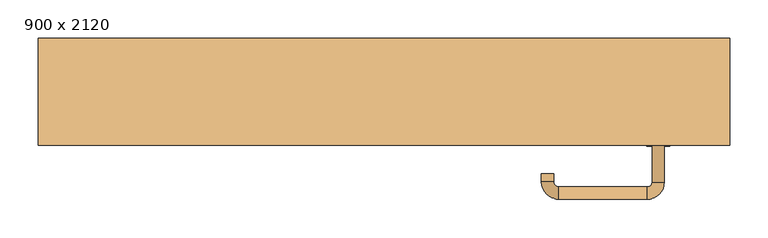
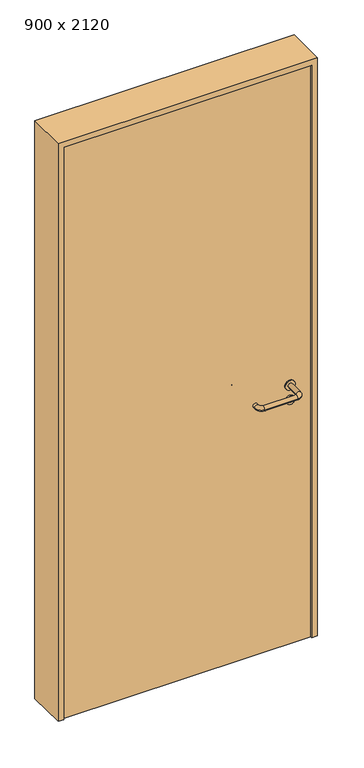
"""IFC4 building model written with IfcOpenShell, lengths in millimetres: door geometry, 900 x 2120."""

from ifc_helpers import new_model, si_unit, point, frame, frame_2d, origin, origin_with_axes, place, context, project, spatial, polyline, circle_curve, ellipse_curve, trimmed, segment, composite_curve, outline, extrude, source, transform, mapped, element, save
from ifc_brep_helpers import plane_surface, cylinder_surface, revolved_surface, advanced_brep


def door_900_x_2120_e4a72f47(model_context):
    return source(origin(), model_context, "Body", "SolidModel", [
        extrude(outline(composite_curve([segment(trimmed(circle_curve(frame_2d((897.3605726, 357.0)), 15.0), [point((897.3605726, 372.0))], [point((897.3605726, 342.0))], False, "CARTESIAN"), True, "CONTINUOUS"), segment(trimmed(circle_curve(frame_2d((897.3605726, 357.0)), 15.0), [point((897.3605726, 342.0))], [point((897.3605726, 372.0))], False, "CARTESIAN"), True, "CONTINUOUS")], self_intersect=False), holes=[composite_curve([segment(trimmed(circle_curve(frame_2d((892.5833211, 356.9398032)), 2.0), [point((892.5833211, 358.9398032))], [point((892.5833211, 354.9398032))], True, "CARTESIAN"), True, "CONTINUOUS"), segment(polyline([(892.5833211, 354.9398032), (902.5833211, 354.9398032)]), True, "CONTINUOUS"), segment(trimmed(circle_curve(frame_2d((902.5833211, 356.9398032)), 2.0), [point((902.5833211, 354.9398032))], [point((902.5833211, 358.9398032))], True, "CARTESIAN"), True, "CONTINUOUS"), segment(polyline([(902.5833211, 358.9398032), (892.5833211, 358.9398032)]), True, "CONTINUOUS")], self_intersect=False)]), frame((0.0, -35.0, 0.0), z_axis=(0.0, 1.0, 0.0), x_axis=(0.0, 0.0, 1.0)), (0.0, 0.0, 1.0), 6.35),
        extrude(outline(composite_curve([segment(trimmed(circle_curve(frame_2d((950.0, 357.0)), 17.526), [point((950.0, 374.526))], [point((950.0, 339.474))], False, "CARTESIAN"), True, "CONTINUOUS"), segment(trimmed(circle_curve(frame_2d((950.0, 357.0)), 17.526), [point((950.0, 339.474))], [point((950.0, 374.526))], False, "CARTESIAN"), True, "CONTINUOUS")], self_intersect=False)), frame((0.0, -35.0, 0.0), z_axis=(0.0, 1.0, 0.0), x_axis=(0.0, 0.0, 1.0)), (0.0, 0.0, 1.0), 3.175),
        advanced_brep(
        [(365.0, -35.0, 950.0), (349.0, -35.0, 950.0), (365.0, 18.0, 950.0), (349.0, 18.0, 950.0), (342.8578644, 24.1421356, 950.0), (342.8578644, 40.1421356, 950.0), (227.8578644, 40.1421356, 950.0), (227.8578644, 24.1421356, 950.0), (221.008622, 17.2928932, 950.0), (205.008622, 17.2928932, 950.0), (205.008622, 7.2928932, 950.0), (221.008622, 7.2928932, 950.0)],
        [
            (0, 1, circle_curve(frame((357.0, -35.0, 950.0), z_axis=(0.0, -1.0, 0.0), x_axis=(-1.0, 0.0, 0.0)), 8.0)),
            (1, 0, circle_curve(frame((357.0, -35.0, 950.0), z_axis=(0.0, -1.0, 0.0), x_axis=(-1.0, 0.0, 0.0)), 8.0)),
            (0, 2),
            (2, 3, circle_curve(frame((357.0, 18.0, 950.0), z_axis=(0.0, -1.0, 0.0), x_axis=(-1.0, 0.0, 0.0)), 8.0)),
            (3, 1),
            (3, 2, circle_curve(frame((357.0, 18.0, 950.0), z_axis=(0.0, -1.0, 0.0), x_axis=(-1.0, 0.0, 0.0)), 8.0)),
            (4, 3, circle_curve(frame((342.8578644, 18.0, 950.0), z_axis=(0.0, 0.0, -1.0), x_axis=(1.0, 0.0, 0.0)), 6.1421356)),
            (2, 5, circle_curve(frame((342.8578644, 18.0, 950.0), z_axis=(0.0, 0.0, 1.0), x_axis=(1.0, 0.0, 0.0)), 22.1421356)),
            (5, 4, circle_curve(frame((342.8578644, 32.1421356, 950.0), z_axis=(1.0, 0.0, 0.0), x_axis=(0.0, -1.0, 0.0)), 8.0)),
            (4, 5, circle_curve(frame((342.8578644, 32.1421356, 950.0), z_axis=(1.0, 0.0, 0.0), x_axis=(0.0, -1.0, 0.0)), 8.0)),
            (5, 6),
            (6, 7, circle_curve(frame((227.8578644, 32.1421356, 950.0), z_axis=(1.0, 0.0, 0.0), x_axis=(0.0, -1.0, 0.0)), 8.0)),
            (7, 4),
            (7, 6, circle_curve(frame((227.8578644, 32.1421356, 950.0), z_axis=(1.0, 0.0, 0.0), x_axis=(0.0, -1.0, 0.0)), 8.0)),
            (8, 7, circle_curve(frame((227.8578644, 17.2928932, 950.0), z_axis=(0.0, 0.0, -1.0), x_axis=(0.0, 1.0, 0.0)), 6.8492424)),
            (6, 9, circle_curve(frame((227.8578644, 17.2928932, 950.0), z_axis=(0.0, 0.0, 1.0), x_axis=(0.0, 1.0, 0.0)), 22.8492424)),
            (9, 8, circle_curve(frame((213.008622, 17.2928932, 950.0), z_axis=(0.0, 1.0, 0.0), x_axis=(1.0, 0.0, 0.0)), 8.0)),
            (8, 9, circle_curve(frame((213.008622, 17.2928932, 950.0), z_axis=(0.0, 1.0, 0.0), x_axis=(1.0, 0.0, 0.0)), 8.0)),
            (10, 11, circle_curve(frame((213.008622, 7.2928932, 950.0), z_axis=(0.0, -1.0, 0.0), x_axis=(1.0, 0.0, 0.0)), 8.0)),
            (11, 10, circle_curve(frame((213.008622, 7.2928932, 950.0), z_axis=(0.0, -1.0, 0.0), x_axis=(1.0, 0.0, 0.0)), 8.0)),
            (9, 10),
            (11, 8),
        ],
        [
            plane_surface(frame((357.0, -35.0, 0.0), z_axis=(0.0, -1.0, 0.0), x_axis=(0.0, 0.0, 1.0))),
            cylinder_surface(frame((357.0, -35.0, 950.0), z_axis=(0.0, -1.0, 0.0), x_axis=(-1.0, 0.0, 0.0)), 8.0),
            revolved_surface(trimmed(ellipse_curve(frame((357.0, 18.0, 950.0), z_axis=(0.0, -1.0, 0.0), x_axis=(-1.0, 0.0, 0.0)), 8.0, 8.0), [point((365.0, 18.0, 950.0))], [point((349.0, 18.0, 950.0))], True, "CARTESIAN"), (342.8578644, 18.0, 0.0), (0.0, 0.0, 1.0)),
            revolved_surface(trimmed(ellipse_curve(frame((357.0, 18.0, 950.0), z_axis=(0.0, -1.0, 0.0), x_axis=(-1.0, 0.0, 0.0)), 8.0, 8.0), [point((349.0, 18.0, 950.0))], [point((365.0, 18.0, 950.0))], True, "CARTESIAN"), (342.8578644, 18.0, 0.0), (0.0, 0.0, 1.0)),
            cylinder_surface(frame((342.8578644, 32.1421356, 950.0), z_axis=(1.0, 0.0, 0.0), x_axis=(0.0, -1.0, 0.0)), 8.0),
            revolved_surface(trimmed(ellipse_curve(frame((227.8578644, 32.1421356, 950.0), z_axis=(1.0, 0.0, 0.0), x_axis=(0.0, -1.0, 0.0)), 8.0, 8.0), [point((227.8578644, 40.1421356, 950.0))], [point((227.8578644, 24.1421356, 950.0))], True, "CARTESIAN"), (227.8578644, 17.2928932, 0.0), (0.0, 0.0, 1.0)),
            revolved_surface(trimmed(ellipse_curve(frame((227.8578644, 32.1421356, 950.0), z_axis=(1.0, 0.0, 0.0), x_axis=(0.0, -1.0, 0.0)), 8.0, 8.0), [point((227.8578644, 24.1421356, 950.0))], [point((227.8578644, 40.1421356, 950.0))], True, "CARTESIAN"), (227.8578644, 17.2928932, 0.0), (0.0, 0.0, 1.0)),
            plane_surface(frame((213.008622, 7.2928932, 0.0), z_axis=(0.0, -1.0, 0.0), x_axis=(0.0, 0.0, 1.0))),
            cylinder_surface(frame((213.008622, 17.2928932, 950.0), z_axis=(0.0, 1.0, 0.0), x_axis=(1.0, 0.0, 0.0)), 8.0),
        ],
        [
            (0, [[1, 2]]),
            (1, [[-1, 3, 4, 5]]),
            (1, [[-2, -5, 6, -3]]),
            (2, [[7, -4, 8, 9]]),
            (3, [[-8, -6, -7, 10]]),
            (4, [[-9, 11, 12, 13]]),
            (4, [[-10, -13, 14, -11]]),
            (5, [[15, -12, 16, 17]]),
            (6, [[-16, -14, -15, 18]]),
            (7, [[19, 20]]),
            (8, [[-17, 21, -20, 22]]),
            (8, [[-18, -22, -19, -21]]),
        ],
    ),
        extrude(outline(composite_curve([segment(trimmed(circle_curve(frame_2d((0.0, 15.0)), 15.0), [point((0.0, 30.0))], [point((0.0, 0.0))], False, "CARTESIAN"), True, "CONTINUOUS"), segment(trimmed(circle_curve(frame_2d((0.0, 15.0)), 15.0), [point((0.0, 0.0))], [point((0.0, 30.0))], False, "CARTESIAN"), True, "CONTINUOUS")], self_intersect=False), holes=[composite_curve([segment(trimmed(circle_curve(frame_2d((-4.7772515, 14.9398032)), 2.0), [point((-4.7772515, 16.9398032))], [point((-4.7772515, 12.9398032))], True, "CARTESIAN"), True, "CONTINUOUS"), segment(polyline([(-4.7772515, 12.9398032), (5.2227485, 12.9398032)]), True, "CONTINUOUS"), segment(trimmed(circle_curve(frame_2d((5.2227485, 14.9398032)), 2.0), [point((5.2227485, 12.9398032))], [point((5.2227485, 16.9398032))], True, "CARTESIAN"), True, "CONTINUOUS"), segment(polyline([(5.2227485, 16.9398032), (-4.7772515, 16.9398032)]), True, "CONTINUOUS")], self_intersect=False)]), frame((342.0, -71.35, 897.3605726), z_axis=(-1.8870575173328306e-12, 1.0, 0.0), x_axis=(0.0, 0.0, 1.0)), (0.0, 0.0, 1.0), 6.35),
        extrude(outline(composite_curve([segment(trimmed(circle_curve(frame_2d((0.0, 17.526)), 17.526), [point((0.0, 35.052))], [point((0.0, 0.0))], False, "CARTESIAN"), True, "CONTINUOUS"), segment(trimmed(circle_curve(frame_2d((0.0, 17.526)), 17.526), [point((0.0, 0.0))], [point((0.0, 35.052))], False, "CARTESIAN"), True, "CONTINUOUS")], self_intersect=False)), frame((339.474, -68.175, 950.0), z_axis=(-1.8870575173328306e-12, 1.0, 0.0), x_axis=(0.0, 0.0, 1.0)), (0.0, 0.0, 1.0), 3.175),
        advanced_brep(
        [(365.0, -65.0, 950.0), (349.0, -65.0, 950.0), (349.0, -118.0, 950.0), (365.0, -118.0, 950.0), (342.8578644, -124.1421356, 950.0), (342.8578644, -140.1421356, 950.0), (227.8578644, -124.1421356, 950.0), (227.8578644, -140.1421356, 950.0), (221.008622, -117.2928932, 950.0), (205.008622, -117.2928932, 950.0), (205.008622, -107.2928932, 950.0), (221.008622, -107.2928932, 950.0)],
        [
            (0, 1, circle_curve(frame((357.0, -65.0, 950.0), z_axis=(-1.888672253512351e-12, 1.0, 0.0), x_axis=(-1.0, -1.888672253512351e-12, 0.0)), 8.0)),
            (1, 0, circle_curve(frame((357.0, -65.0, 950.0), z_axis=(-1.888672253512351e-12, 1.0, 0.0), x_axis=(-1.0, -1.888672253512351e-12, 0.0)), 8.0)),
            (1, 2),
            (2, 3, circle_curve(frame((357.0, -118.0, 950.0), z_axis=(-1.888672253512351e-12, 1.0, 0.0), x_axis=(-1.0, -1.888672253512351e-12, 0.0)), 8.0)),
            (3, 0),
            (3, 2, circle_curve(frame((357.0, -118.0, 950.0), z_axis=(-1.888672253512351e-12, 1.0, 0.0), x_axis=(-1.0, -1.888672253512351e-12, 0.0)), 8.0)),
            (4, 5, circle_curve(frame((342.8578644, -132.1421356, 950.0), z_axis=(1.0, 1.913702061528922e-12, 0.0), x_axis=(-1.913702061528922e-12, 1.0, 0.0)), 8.0)),
            (5, 3, circle_curve(frame((342.8578644, -118.0, 950.0), z_axis=(0.0, 0.0, 1.0), x_axis=(1.0, 1.880717803715015e-12, 0.0)), 22.1421356)),
            (2, 4, circle_curve(frame((342.8578644, -118.0, 950.0), z_axis=(0.0, 0.0, -1.0), x_axis=(1.0, 1.880717803715015e-12, 0.0)), 6.1421356)),
            (5, 4, circle_curve(frame((342.8578644, -132.1421356, 950.0), z_axis=(1.0, 1.913702061528922e-12, 0.0), x_axis=(-1.913702061528922e-12, 1.0, 0.0)), 8.0)),
            (4, 6),
            (6, 7, circle_curve(frame((227.8578644, -132.1421356, 950.0), z_axis=(1.0, 1.913719828541269e-12, 0.0), x_axis=(-1.913719828541269e-12, 1.0, 0.0)), 8.0)),
            (7, 5),
            (7, 6, circle_curve(frame((227.8578644, -132.1421356, 950.0), z_axis=(1.0, 1.913719828541269e-12, 0.0), x_axis=(-1.913719828541269e-12, 1.0, 0.0)), 8.0)),
            (8, 9, circle_curve(frame((213.008622, -117.2928932, 950.0), z_axis=(1.8888942981172756e-12, -1.0, 0.0), x_axis=(1.0, 1.8888942981172756e-12, 0.0)), 8.0)),
            (9, 7, circle_curve(frame((227.8578644, -117.2928932, 950.0), z_axis=(0.0, 0.0, 1.0), x_axis=(1.9120873253494017e-12, -1.0, 0.0)), 22.8492424)),
            (6, 8, circle_curve(frame((227.8578644, -117.2928932, 950.0), z_axis=(0.0, 0.0, -1.0), x_axis=(1.9120873253494017e-12, -1.0, 0.0)), 6.8492424)),
            (9, 8, circle_curve(frame((213.008622, -117.2928932, 950.0), z_axis=(1.890448610351751e-12, -1.0, 0.0), x_axis=(1.0, 1.890448610351751e-12, 0.0)), 8.0)),
            (10, 11, circle_curve(frame((213.008622, -107.2928932, 950.0), z_axis=(-1.8903642334018795e-12, 1.0, 0.0), x_axis=(1.0, 1.8903642334018795e-12, 0.0)), 8.0)),
            (11, 10, circle_curve(frame((213.008622, -107.2928932, 950.0), z_axis=(-1.8903642334018795e-12, 1.0, 0.0), x_axis=(1.0, 1.8903642334018795e-12, 0.0)), 8.0)),
            (8, 11),
            (10, 9),
        ],
        [
            plane_surface(frame((357.0, -65.0, 0.0), z_axis=(-1.8870575173328306e-12, 1.0, 0.0), x_axis=(0.0, 0.0, 1.0))),
            cylinder_surface(frame((357.0, -65.0, 950.0), z_axis=(-1.888672253512351e-12, 1.0, 0.0), x_axis=(-1.0, -1.888672253512351e-12, 0.0)), 8.0),
            revolved_surface(trimmed(ellipse_curve(frame((357.0, -118.0, 950.0), z_axis=(1.8823325398945356e-12, -1.0, 0.0), x_axis=(-1.0, -1.8823325398945356e-12, 0.0)), 8.0, 8.0), [point((365.0, -118.0, 950.0))], [point((349.0, -118.0, 950.0))], True, "CARTESIAN"), (342.8578644, -118.0, 0.0), (0.0, 0.0, 1.0)),
            revolved_surface(trimmed(ellipse_curve(frame((357.0, -118.0, 950.0), z_axis=(1.8823325398945356e-12, -1.0, 0.0), x_axis=(-1.0, -1.8823325398945356e-12, 0.0)), 8.0, 8.0), [point((349.0, -118.0, 950.0))], [point((365.0, -118.0, 950.0))], True, "CARTESIAN"), (342.8578644, -118.0, 0.0), (0.0, 0.0, 1.0)),
            cylinder_surface(frame((342.8578644, -132.1421356, 950.0), z_axis=(1.0, 1.913719828541269e-12, 0.0), x_axis=(-1.913719828541269e-12, 1.0, 0.0)), 8.0),
            revolved_surface(trimmed(ellipse_curve(frame((227.8578644, -132.1421356, 950.0), z_axis=(-1.0, -1.913702061528922e-12, 0.0), x_axis=(-1.913702061528922e-12, 1.0, 0.0)), 8.0, 8.0), [point((227.8578644, -140.1421356, 950.0))], [point((227.8578644, -124.1421356, 950.0))], True, "CARTESIAN"), (227.8578644, -117.2928932, 0.0), (0.0, 0.0, 1.0)),
            revolved_surface(trimmed(ellipse_curve(frame((227.8578644, -132.1421356, 950.0), z_axis=(-1.0, -1.913702061528922e-12, 0.0), x_axis=(-1.913702061528922e-12, 1.0, 0.0)), 8.0, 8.0), [point((227.8578644, -124.1421356, 950.0))], [point((227.8578644, -140.1421356, 950.0))], True, "CARTESIAN"), (227.8578644, -117.2928932, 0.0), (0.0, 0.0, 1.0)),
            plane_surface(frame((213.008622, -107.2928932, 0.0), z_axis=(-1.8887494972223595e-12, 1.0, 0.0), x_axis=(0.0, 0.0, 1.0))),
            cylinder_surface(frame((213.008622, -117.2928932, 950.0), z_axis=(1.8903642334018795e-12, -1.0, 0.0), x_axis=(1.0, 1.8903642334018795e-12, 0.0)), 8.0),
        ],
        [
            (0, [[1, 2]]),
            (1, [[3, 4, 5, -2]]),
            (1, [[-5, 6, -3, -1]]),
            (2, [[7, 8, -4, 9]]),
            (3, [[10, -9, -6, -8]]),
            (4, [[11, 12, 13, -7]]),
            (4, [[-13, 14, -11, -10]]),
            (5, [[15, 16, -12, 17]]),
            (6, [[18, -17, -14, -16]]),
            (7, [[19, 20]]),
            (8, [[21, -19, 22, -15]]),
            (8, [[-22, -20, -21, -18]]),
        ],
    ),
        extrude(outline(polyline([(2100.0, 430.0), (0.0, 430.0), (0.0, 450.0), (2120.0, 450.0), (2120.0, -450.0), (0.0, -450.0), (0.0, -430.0), (2100.0, -430.0), (2100.0, 430.0)])), frame((0.0, -70.0, 0.0), z_axis=(0.0, 1.0, 0.0), x_axis=(0.0, 0.0, 1.0)), (0.0, 0.0, 1.0), 139.0),
        extrude(outline(polyline([(-430.0, -65.0), (-430.0, -35.0), (430.0, -35.0), (430.0, -65.0), (-430.0, -65.0)])), origin_with_axes(), (0.0, 0.0, 1.0), 2100.0),
    ])


if __name__ == "__main__":
    model = new_model("IFC4")
    model_context = context("Model", 3, world=origin())
    ifc_project = project(units=[si_unit("LENGTHUNIT", "METRE", prefix="MILLI")], contexts=[model_context])
    site = spatial("IfcSite", under=ifc_project)
    building = spatial("IfcBuilding", under=site)
    placement = place(None, origin())
    door_900_x_2120_shape = door_900_x_2120_e4a72f47(model_context)
    element("IfcDoor", 1, ObjectType="900 x 2120", at=placement, inside=building, context=model_context, shape_type="MappedRepresentation", body=[
        mapped(door_900_x_2120_shape, transform((0.0, 0.0, 0.0), x_axis=(1.0, 0.0, 0.0), y_axis=(0.0, 1.0, 0.0), z_axis=(0.0, 0.0, 1.0))),
    ])
    save(model, "model.ifc")
